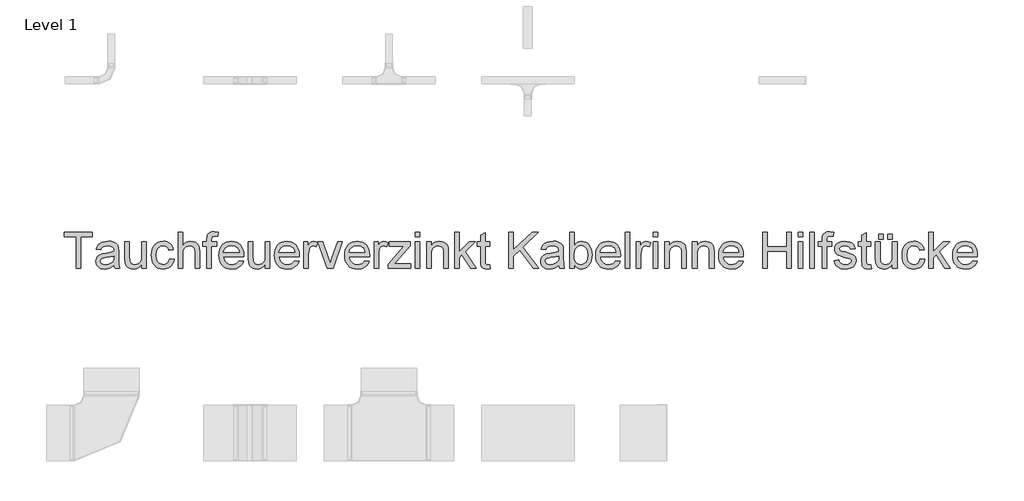
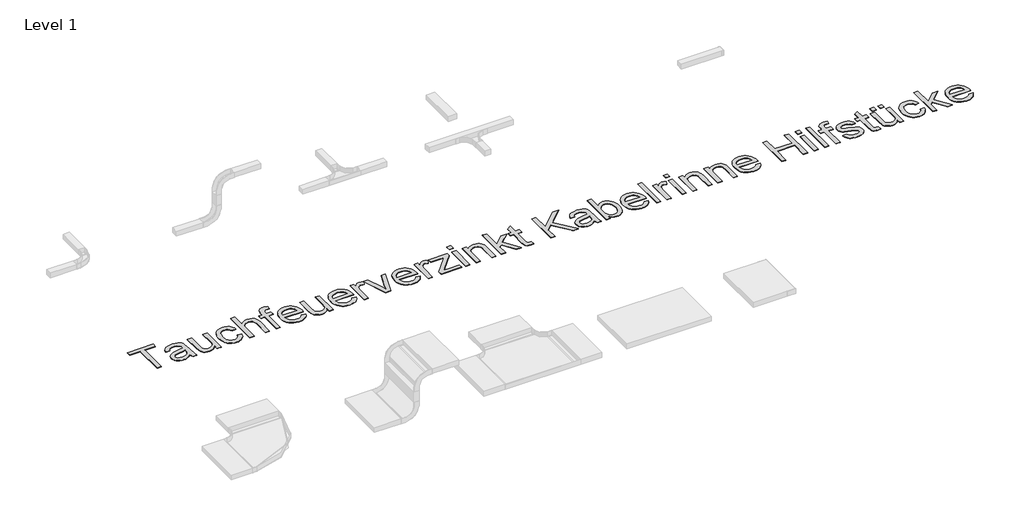
# One storey, part 14 of 15: 1 proxy.
"""IFC4 building model written with IfcOpenShell, lengths in millimetres."""

from ifc_helpers import new_model, si_unit, origin, origin_with_axes, place, context, project, spatial, polyline, outline, extrude, element, save

model = new_model("IFC4")

# Units and contexts
model_context = context("Model", 3, world=origin())
ifc_project = project(units=[si_unit("LENGTHUNIT", "METRE", prefix="MILLI")], contexts=[model_context])

# Site, building, storey
site = spatial("IfcSite", under=ifc_project)
building = spatial("IfcBuilding", under=site)
storey = spatial("IfcBuildingStorey", under=building, Name="Level 1", Elevation=0.0)

# Proxy
placement = place(None, origin())
element("IfcBuildingElementProxy", 1, Name="400mm", ObjectType="400mm", at=placement, inside=storey, context=model_context, shape_type="SweptSolid", body=[
    extrude(outline(polyline([(5205.1587298, -14577.287492), (5205.1587298, -14234.4996132), (5076.6132752, -14234.4996132), (5076.6132752, -14185.5299162), (5382.6738813, -14185.5299162), (5382.6738813, -14234.4996132), (5254.1284268, -14234.4996132), (5254.1284268, -14577.287492), (5205.1587298, -14577.287492)])), origin_with_axes(), (0.0, 0.0, 1.0), 5.0),
    extrude(outline(polyline([(5615.2799419, -14540.5602192), (5591.8830432, -14560.6215355), (5567.792726, -14573.7486662), (5542.4590376, -14580.9936946), (5515.3320252, -14583.4087041), (5493.5281959, -14581.9561118), (5474.4083747, -14577.5983348), (5457.9725615, -14570.3353731), (5444.2207563, -14560.1672268), (5433.3621803, -14547.7394924), (5425.6060546, -14533.6977666), (5420.9523792, -14518.0420493), (5419.401154, -14500.7723404), (5421.7444305, -14480.4719143), (5428.7742601, -14462.036545), (5439.6178917, -14446.255295), (5453.4025745, -14433.9172268), (5487.6909268, -14417.849045), (5530.0611919, -14410.4844617), (5580.1307942, -14402.7373026), (5614.9930101, -14393.6511283), (5615.2799419, -14382.7477192), (5611.908493, -14360.8930791), (5601.7941465, -14346.5943101), (5579.1743548, -14335.9778329), (5547.6596768, -14332.4390071), (5518.4882752, -14334.7942391), (5498.1161161, -14341.8599351), (5484.223834, -14354.9272884), (5474.4920631, -14375.287492), (5425.5223661, -14369.1662798), (5434.0227213, -14342.3859768), (5446.7074987, -14321.3443101), (5464.7602923, -14305.2522173), (5489.3646957, -14293.3206359), (5519.4566701, -14285.9321416), (5553.9721768, -14283.4693101), (5587.0769353, -14285.6452098), (5613.3192411, -14292.1729086), (5633.1055811, -14301.9883679), (5646.8424419, -14314.0275488), (5655.9525271, -14328.9121369), (5661.8585404, -14347.2638177), (5664.2496389, -14390.1123026), (5664.2496389, -14451.037492), (5666.7363813, -14536.1127761), (5676.4920631, -14577.287492), (5627.5223661, -14577.287492), (5619.6795631, -14560.2628708), (5615.2799419, -14540.5602192)]), holes=[polyline([(5615.2799419, -14442.6208253), (5582.3784268, -14450.7744711), (5536.278048, -14457.6369238), (5494.1468927, -14465.5753708), (5483.1837061, -14471.0031643), (5475.0659268, -14478.4873026), (5470.0446199, -14487.4539219), (5468.370851, -14497.3291586), (5472.0172762, -14511.8909484), (5482.9565518, -14523.8225298), (5500.9495679, -14531.7848878), (5525.7572146, -14534.4390071), (5552.059298, -14531.5099115), (5575.3007752, -14522.7226245), (5594.1426313, -14509.7748262), (5607.245851, -14494.3641965), (5613.0562203, -14478.4873026), (5614.9930101, -14456.4891965), (5615.2799419, -14442.6208253)])]), origin_with_axes(), (0.0, 0.0, 1.0), 5.0),
    extrude(outline(polyline([(5915.2193358, -14577.287492), (5915.2193358, -14527.8395753), (5897.5012961, -14552.1510691), (5876.8661161, -14569.5164219), (5853.3137961, -14579.9356335), (5826.8443358, -14583.4087041), (5802.9931285, -14580.9697836), (5780.791779, -14573.6530223), (5762.1651218, -14562.6539692), (5749.0379911, -14549.1681738), (5740.2028822, -14532.7891492), (5734.4522904, -14513.1104086), (5731.5829722, -14467.5838935), (5731.5829722, -14289.5905223), (5780.5526692, -14289.5905223), (5780.5526692, -14444.5337041), (5783.5176313, -14494.4598404), (5790.6550603, -14511.1138414), (5802.885529, -14523.7747079), (5819.3960641, -14531.7729323), (5839.3736919, -14534.4390071), (5860.499047, -14531.7131548), (5880.261476, -14523.535598), (5896.5568122, -14510.6595327), (5907.2808889, -14493.8381548), (5913.2347241, -14470.7999209), (5915.2193358, -14439.2732874), (5915.2193358, -14289.5905223), (5964.1890328, -14289.5905223), (5964.1890328, -14577.287492), (5915.2193358, -14577.287492)])), origin_with_axes(), (0.0, 0.0, 1.0), 5.0),
    extrude(outline(polyline([(6215.1587298, -14473.2268859), (6264.1284268, -14479.348098), (6258.8022549, -14502.455076), (6250.4752544, -14522.9019569), (6239.1474253, -14540.6887408), (6224.8187677, -14555.8154276), (6208.0930338, -14567.887486), (6189.573976, -14576.510385), (6169.2615944, -14581.6841243), (6147.1558889, -14583.4087041), (6119.6911339, -14581.0026612), (6095.0658084, -14573.7845327), (6073.2799123, -14561.7543184), (6054.3334457, -14544.9120185), (6038.9975378, -14523.5744534), (6028.0433179, -14498.0584437), (6021.4707859, -14468.3639894), (6019.2799419, -14434.4910904), (6023.022011, -14390.9133206), (6034.2482184, -14353.14592), (6053.1378965, -14322.6474588), (6079.8703775, -14300.8765071), (6111.8513197, -14287.8211094), (6146.4863813, -14283.4693101), (6168.2124999, -14284.9637467), (6187.8643406, -14289.4470564), (6205.4419033, -14296.9192391), (6220.9451881, -14307.380295), (6234.1111742, -14320.5911141), (6244.6768406, -14336.3125867), (6252.6421874, -14354.5447126), (6258.0072146, -14375.287492), (6209.0375177, -14381.4087041), (6200.1545868, -14360.0442391), (6186.3220821, -14344.7292533), (6168.305155, -14335.5115687), (6146.8689571, -14332.4390071), (6130.2299005, -14333.9513769), (6115.2227686, -14338.4884863), (6101.8475615, -14346.0503352), (6090.104279, -14356.6369238), (6080.542874, -14370.4933395), (6073.7132989, -14387.86467), (6068.2496389, -14433.1520753), (6073.593744, -14479.0492107), (6080.2738754, -14496.5371073), (6089.6260593, -14510.3845564), (6101.1362097, -14520.9083786), (6114.2902402, -14528.4253944), (6129.0881509, -14532.9356039), (6145.5299419, -14534.4390071), (6170.8875413, -14530.6849825), (6191.6781427, -14519.4229086), (6206.8018406, -14500.3658537), (6215.1587298, -14473.2268859)])), origin_with_axes(), (0.0, 0.0, 1.0), 5.0),
    extrude(outline(polyline([(6306.9769116, -14577.287492), (6306.9769116, -14185.5299162), (6355.9466086, -14185.5299162), (6355.9466086, -14329.5696889), (6373.9336469, -14309.4007732), (6394.1324514, -14294.9944048), (6416.5430219, -14286.3505838), (6441.1653586, -14283.4693101), (6470.7432468, -14286.6136047), (6496.1606237, -14296.0464882), (6516.174118, -14311.0267202), (6529.5403586, -14330.8130601), (6537.0723188, -14357.9998499), (6539.5829722, -14395.1814314), (6539.5829722, -14577.287492), (6490.6132752, -14577.287492), (6490.6132752, -14400.2505601), (6486.7157847, -14369.5966776), (6475.0233131, -14348.6028329), (6456.1814571, -14336.4799636), (6430.8358131, -14332.4390071), (6410.1408557, -14335.1648594), (6390.7131805, -14343.3424162), (6374.6210877, -14356.1826151), (6363.9328775, -14372.8963935), (6357.9431758, -14395.1096984), (6355.9466086, -14424.4484768), (6355.9466086, -14577.287492), (6306.9769116, -14577.287492)])), origin_with_axes(), (0.0, 0.0, 1.0), 5.0),
    extrude(outline(polyline([(6619.1587298, -14577.287492), (6619.1587298, -14338.5602192), (6576.3102449, -14338.5602192), (6576.3102449, -14289.5905223), (6619.1587298, -14289.5905223), (6619.1587298, -14260.6104086), (6620.449923, -14236.6276908), (6624.3235025, -14219.7704465), (6634.1748283, -14203.4870658), (6649.3822146, -14190.599045), (6670.6629911, -14182.2062893), (6698.7344874, -14179.4087041), (6743.4002071, -14184.7647647), (6736.2269116, -14230.6738556), (6708.0119495, -14228.3784011), (6689.3972478, -14230.4108348), (6677.166779, -14236.5081359), (6670.3880148, -14248.1527855), (6668.1284268, -14266.8272647), (6668.1284268, -14289.5905223), (6723.2193358, -14289.5905223), (6723.2193358, -14338.5602192), (6668.1284268, -14338.5602192), (6668.1284268, -14577.287492), (6619.1587298, -14577.287492)])), origin_with_axes(), (0.0, 0.0, 1.0), 5.0),
    extrude(outline(polyline([(6967.4939571, -14491.5905223), (7015.5072146, -14497.7117344), (7008.1456202, -14516.942144), (6998.2076171, -14533.8890545), (6985.6932054, -14548.5524659), (6970.6023851, -14560.9323783), (6953.0905776, -14570.7657708), (6933.3132042, -14577.7896226), (6886.9617601, -14583.4087041), (6856.5768761, -14580.984728), (6829.5036635, -14573.7127997), (6805.7421223, -14561.5929193), (6785.2922525, -14544.6250867), (6768.8474727, -14523.2815438), (6757.1012014, -14498.0345327), (6750.0534386, -14468.8840533), (6747.7041843, -14435.8301056), (6750.0773496, -14401.6553305), (6757.1968453, -14371.5334673), (6769.0626715, -14345.4645161), (6785.6748283, -14323.4484768), (6806.0708983, -14305.9575914), (6829.2884646, -14293.4641018), (6855.3275271, -14285.9680081), (6884.1880858, -14283.4693101), (6912.119105, -14285.9620303), (6937.3780716, -14293.4401908), (6959.9649857, -14305.9037917), (6979.8798472, -14323.3528329), (6996.136328, -14345.3210502), (7007.7481001, -14371.3421795), (7014.7151633, -14401.4162207), (7017.0375177, -14435.5431738), (7016.7505858, -14448.7420374), (6796.6738813, -14448.7420374), (6799.5103219, -14468.2832898), (6805.1503254, -14485.3975772), (6813.593892, -14500.0848996), (6824.8410215, -14512.3452571), (6853.2592269, -14528.9155696), (6887.9181995, -14534.4390071), (6913.981173, -14531.8805317), (6935.9314571, -14524.2051056), (6953.7690518, -14510.934509), (6967.4939571, -14491.5905223)]), holes=[polyline([(6796.6738813, -14399.7723404), (6968.0678207, -14399.7723404), (6961.4444779, -14373.9006548), (6948.4608131, -14355.3935526), (6935.1065281, -14345.3509389), (6919.9110972, -14338.1776435), (6883.996798, -14332.4390071), (6850.9876834, -14337.0179607), (6823.6932942, -14350.7548215), (6804.7199277, -14372.1671084), (6796.6738813, -14399.7723404)])]), origin_with_axes(), (0.0, 0.0, 1.0), 5.0),
    extrude(outline(polyline([(7249.6435783, -14577.287492), (7249.6435783, -14527.8395753), (7231.9255385, -14552.1510691), (7211.2903586, -14569.5164219), (7187.7380385, -14579.9356335), (7161.2685783, -14583.4087041), (7137.4173709, -14580.9697836), (7115.2160215, -14573.6530223), (7096.5893643, -14562.6539692), (7083.4622336, -14549.1681738), (7074.6271247, -14532.7891492), (7068.8765328, -14513.1104086), (7066.0072146, -14467.5838935), (7066.0072146, -14289.5905223), (7114.9769116, -14289.5905223), (7114.9769116, -14444.5337041), (7117.9418737, -14494.4598404), (7125.0793027, -14511.1138414), (7137.3097715, -14523.7747079), (7153.8203065, -14531.7729323), (7173.7979343, -14534.4390071), (7194.9232894, -14531.7131548), (7214.6857184, -14523.535598), (7230.9810546, -14510.6595327), (7241.7051313, -14493.8381548), (7247.6589665, -14470.7999209), (7249.6435783, -14439.2732874), (7249.6435783, -14289.5905223), (7298.6132752, -14289.5905223), (7298.6132752, -14577.287492), (7249.6435783, -14577.287492)])), origin_with_axes(), (0.0, 0.0, 1.0), 5.0),
    extrude(outline(polyline([(7567.3727449, -14491.5905223), (7615.3860025, -14497.7117344), (7608.0244081, -14516.942144), (7598.086405, -14533.8890545), (7585.5719933, -14548.5524659), (7570.481173, -14560.9323783), (7552.9693654, -14570.7657708), (7533.1919921, -14577.7896226), (7486.840548, -14583.4087041), (7456.455664, -14580.984728), (7429.3824514, -14573.7127997), (7405.6209102, -14561.5929193), (7385.1710404, -14544.6250867), (7368.7262606, -14523.2815438), (7356.9799893, -14498.0345327), (7349.9322265, -14468.8840533), (7347.5829722, -14435.8301056), (7349.9561375, -14401.6553305), (7357.0756332, -14371.5334673), (7368.9414594, -14345.4645161), (7385.5536161, -14323.4484768), (7405.9496862, -14305.9575914), (7429.1672525, -14293.4641018), (7455.206315, -14285.9680081), (7484.0668737, -14283.4693101), (7511.9978929, -14285.9620303), (7537.2568595, -14293.4401908), (7559.8437736, -14305.9037917), (7579.7586351, -14323.3528329), (7596.0151159, -14345.3210502), (7607.6268879, -14371.3421795), (7614.5939511, -14401.4162207), (7616.9163055, -14435.5431738), (7616.6293737, -14448.7420374), (7396.5526692, -14448.7420374), (7399.3891098, -14468.2832898), (7405.0291133, -14485.3975772), (7413.4726798, -14500.0848996), (7424.7198093, -14512.3452571), (7453.1380148, -14528.9155696), (7487.7969874, -14534.4390071), (7513.8599608, -14531.8805317), (7535.8102449, -14524.2051056), (7553.6478396, -14510.934509), (7567.3727449, -14491.5905223)]), holes=[polyline([(7396.5526692, -14399.7723404), (7567.9466086, -14399.7723404), (7561.3232658, -14373.9006548), (7548.339601, -14355.3935526), (7534.985316, -14345.3509389), (7519.7898851, -14338.1776435), (7483.8755858, -14332.4390071), (7450.8664713, -14337.0179607), (7423.5720821, -14350.7548215), (7404.5987156, -14372.1671084), (7396.5526692, -14399.7723404)])]), origin_with_axes(), (0.0, 0.0, 1.0), 5.0),
    extrude(outline(polyline([(7665.8860025, -14577.287492), (7665.8860025, -14289.5905223), (7708.7344874, -14289.5905223), (7708.7344874, -14332.1520753), (7724.5635593, -14307.4759389), (7739.1492601, -14292.9380601), (7753.7827828, -14285.8364976), (7769.7553207, -14283.4693101), (7794.1445252, -14287.2472458), (7818.9163055, -14298.5810526), (7802.5611919, -14342.4816208), (7785.3452828, -14334.9496605), (7768.1293737, -14332.4390071), (7753.5078065, -14334.8540166), (7740.4404533, -14342.099045), (7729.8837535, -14353.6241397), (7722.7941465, -14368.879348), (7716.8403112, -14396.2335147), (7714.8556995, -14426.0744238), (7714.8556995, -14577.287492), (7665.8860025, -14577.287492)])), origin_with_axes(), (0.0, 0.0, 1.0), 5.0),
    extrude(outline(polyline([(7920.1075934, -14577.287492), (7818.9163055, -14289.5905223), (7870.7553207, -14289.5905223), (7932.0630858, -14461.9409011), (7950.5223661, -14519.9011283), (7968.5990707, -14465.192795), (8030.2894116, -14289.5905223), (8082.1284268, -14289.5905223), (7982.1805101, -14577.287492), (7920.1075934, -14577.287492)])), origin_with_axes(), (0.0, 0.0, 1.0), 5.0),
    extrude(outline(polyline([(8326.403048, -14491.5905223), (8374.4163055, -14497.7117344), (8367.0547111, -14516.942144), (8357.116708, -14533.8890545), (8344.6022963, -14548.5524659), (8329.511476, -14560.9323783), (8311.9996685, -14570.7657708), (8292.2222951, -14577.7896226), (8245.870851, -14583.4087041), (8215.485967, -14580.984728), (8188.4127544, -14573.7127997), (8164.6512132, -14561.5929193), (8144.2013434, -14544.6250867), (8127.7565636, -14523.2815438), (8116.0102923, -14498.0345327), (8108.9625295, -14468.8840533), (8106.6132752, -14435.8301056), (8108.9864405, -14401.6553305), (8116.1059362, -14371.5334673), (8127.9717625, -14345.4645161), (8144.5839192, -14323.4484768), (8164.9799893, -14305.9575914), (8188.1975555, -14293.4641018), (8214.236618, -14285.9680081), (8243.0971768, -14283.4693101), (8271.0281959, -14285.9620303), (8296.2871626, -14293.4401908), (8318.8740766, -14305.9037917), (8338.7889381, -14323.3528329), (8355.0454189, -14345.3210502), (8366.657191, -14371.3421795), (8373.6242542, -14401.4162207), (8375.9466086, -14435.5431738), (8375.6596768, -14448.7420374), (8155.5829722, -14448.7420374), (8158.4194128, -14468.2832898), (8164.0594163, -14485.3975772), (8172.5029829, -14500.0848996), (8183.7501124, -14512.3452571), (8212.1683179, -14528.9155696), (8246.8272904, -14534.4390071), (8272.8902639, -14531.8805317), (8294.840548, -14524.2051056), (8312.6781427, -14510.934509), (8326.403048, -14491.5905223)]), holes=[polyline([(8155.5829722, -14399.7723404), (8326.9769116, -14399.7723404), (8320.3535688, -14373.9006548), (8307.369904, -14355.3935526), (8294.015619, -14345.3509389), (8278.8201881, -14338.1776435), (8242.9058889, -14332.4390071), (8209.8967743, -14337.0179607), (8182.6023851, -14350.7548215), (8163.6290186, -14372.1671084), (8155.5829722, -14399.7723404)])]), origin_with_axes(), (0.0, 0.0, 1.0), 5.0),
    extrude(outline(polyline([(8424.9163055, -14577.287492), (8424.9163055, -14289.5905223), (8467.7647904, -14289.5905223), (8467.7647904, -14332.1520753), (8483.5938624, -14307.4759389), (8498.1795631, -14292.9380601), (8512.8130858, -14285.8364976), (8528.7856237, -14283.4693101), (8553.1748283, -14287.2472458), (8577.9466086, -14298.5810526), (8561.5914949, -14342.4816208), (8544.3755858, -14334.9496605), (8527.1596768, -14332.4390071), (8512.5381095, -14334.8540166), (8499.4707563, -14342.099045), (8488.9140565, -14353.6241397), (8481.8244495, -14368.879348), (8475.8706143, -14396.2335147), (8473.8860025, -14426.0744238), (8473.8860025, -14577.287492), (8424.9163055, -14577.287492)])), origin_with_axes(), (0.0, 0.0, 1.0), 5.0),
    extrude(outline(polyline([(8577.9466086, -14577.287492), (8577.9466086, -14531.1871132), (8746.9494495, -14338.5602192), (8696.9276692, -14338.5602192), (8590.1890328, -14338.5602192), (8590.1890328, -14289.5905223), (8816.6738813, -14289.5905223), (8816.6738813, -14331.1956359), (8666.7998283, -14502.1113556), (8643.8452828, -14528.317795), (8700.4664949, -14528.317795), (8822.7950934, -14528.317795), (8822.7950934, -14577.287492), (8577.9466086, -14577.287492)])), origin_with_axes(), (0.0, 0.0, 1.0), 5.0),
    extrude(outline(polyline([(8871.7647904, -14234.4996132), (8871.7647904, -14185.5299162), (8920.7344874, -14185.5299162), (8920.7344874, -14234.4996132), (8871.7647904, -14234.4996132)])), origin_with_axes(), (0.0, 0.0, 1.0), 5.0),
    extrude(outline(polyline([(8871.7647904, -14577.287492), (8871.7647904, -14289.5905223), (8920.7344874, -14289.5905223), (8920.7344874, -14577.287492), (8871.7647904, -14577.287492)])), origin_with_axes(), (0.0, 0.0, 1.0), 5.0),
    extrude(outline(polyline([(8994.1890328, -14577.287492), (8994.1890328, -14289.5905223), (9043.1587298, -14289.5905223), (9043.1587298, -14329.7609768), (9060.1713955, -14309.5083726), (9080.6033321, -14295.0422268), (9104.4545394, -14286.3625393), (9131.7250177, -14283.4693101), (9155.8631569, -14285.8006312), (9177.9688624, -14292.7945942), (9196.4042317, -14303.5784484), (9209.5313624, -14317.2794427), (9218.4382042, -14333.8617107), (9224.2127071, -14353.2893859), (9226.7950934, -14400.6331359), (9226.7950934, -14577.287492), (9177.8253965, -14577.287492), (9177.8253965, -14407.2325677), (9176.4146483, -14381.9108348), (9172.182404, -14363.9058632), (9164.3754675, -14351.0058869), (9152.2406427, -14340.9991397), (9136.686547, -14334.5790403), (9118.621798, -14332.4390071), (9089.9405716, -14337.2451151), (9065.4915896, -14351.6634389), (9055.7209634, -14363.4336212), (9048.7419447, -14379.5197363), (9044.5545335, -14399.9217841), (9043.1587298, -14424.6397647), (9043.1587298, -14577.287492), (8994.1890328, -14577.287492)])), origin_with_axes(), (0.0, 0.0, 1.0), 5.0),
    extrude(outline(polyline([(9294.1284268, -14577.287492), (9294.1284268, -14185.5299162), (9343.0981237, -14185.5299162), (9343.0981237, -14396.0422268), (9452.8973661, -14289.5905223), (9520.6132752, -14289.5905223), (9409.4750177, -14397.381242), (9526.7344874, -14577.287492), (9469.5394116, -14577.287492), (9374.3736919, -14431.4304844), (9343.0981237, -14461.7496132), (9343.0981237, -14577.287492), (9294.1284268, -14577.287492)])), origin_with_axes(), (0.0, 0.0, 1.0), 5.0),
    extrude(outline(polyline([(9673.6435783, -14536.4475298), (9679.7647904, -14578.7221511), (9643.1331616, -14583.4087041), (9619.6286635, -14581.3762704), (9602.1019116, -14575.2789692), (9589.7160215, -14565.8819522), (9581.6341086, -14553.9503708), (9577.1866654, -14533.4586567), (9575.7041843, -14498.381242), (9575.7041843, -14338.5602192), (9538.9769116, -14338.5602192), (9538.9769116, -14289.5905223), (9575.7041843, -14289.5905223), (9575.7041843, -14219.6748026), (9624.6738813, -14190.8859768), (9624.6738813, -14289.5905223), (9673.6435783, -14289.5905223), (9673.6435783, -14338.5602192), (9624.6738813, -14338.5602192), (9624.6738813, -14496.9465829), (9627.2562677, -14522.1965829), (9635.6251124, -14531.1392912), (9652.3149798, -14534.4390071), (9673.6435783, -14536.4475298)])), origin_with_axes(), (0.0, 0.0, 1.0), 5.0),
    extrude(outline(polyline([(9881.7647904, -14577.287492), (9881.7647904, -14185.5299162), (9930.7344874, -14185.5299162), (9930.7344874, -14377.2960147), (10131.5867601, -14185.5299162), (10200.0678207, -14185.5299162), (10031.4475555, -14346.5943101), (10206.1890328, -14577.287492), (10146.3159268, -14577.287492), (9996.7288055, -14379.6871132), (9930.7344874, -14442.6208253), (9930.7344874, -14577.287492), (9881.7647904, -14577.287492)])), origin_with_axes(), (0.0, 0.0, 1.0), 5.0),
    extrude(outline(polyline([(10420.4314571, -14540.5602192), (10397.0345584, -14560.6215355), (10372.9442411, -14573.7486662), (10347.6105527, -14580.9936946), (10320.4835404, -14583.4087041), (10298.6797111, -14581.9561118), (10279.5598898, -14577.5983348), (10263.1240766, -14570.3353731), (10249.3722715, -14560.1672268), (10238.5136955, -14547.7394924), (10230.7575697, -14533.6977666), (10226.1038943, -14518.0420493), (10224.5526692, -14500.7723404), (10226.8959457, -14480.4719143), (10233.9257752, -14462.036545), (10244.7694069, -14446.255295), (10258.5540896, -14433.9172268), (10292.8424419, -14417.849045), (10335.2127071, -14410.4844617), (10385.2823093, -14402.7373026), (10420.1445252, -14393.6511283), (10420.4314571, -14382.7477192), (10417.0600082, -14360.8930791), (10406.9456616, -14346.5943101), (10384.3258699, -14335.9778329), (10352.8111919, -14332.4390071), (10323.6397904, -14334.7942391), (10303.2676313, -14341.8599351), (10289.3753491, -14354.9272884), (10279.6435783, -14375.287492), (10230.6738813, -14369.1662798), (10239.1742364, -14342.3859768), (10251.8590139, -14321.3443101), (10269.9118074, -14305.2522173), (10294.5162108, -14293.3206359), (10324.6081853, -14285.9321416), (10359.1236919, -14283.4693101), (10392.2284504, -14285.6452098), (10418.4707563, -14292.1729086), (10438.2570963, -14301.9883679), (10451.9939571, -14314.0275488), (10461.1040423, -14328.9121369), (10467.0100555, -14347.2638177), (10469.401154, -14390.1123026), (10469.401154, -14451.037492), (10471.8878965, -14536.1127761), (10481.6435783, -14577.287492), (10432.6738813, -14577.287492), (10424.8310783, -14560.2628708), (10420.4314571, -14540.5602192)]), holes=[polyline([(10420.4314571, -14442.6208253), (10387.5299419, -14450.7744711), (10341.4295631, -14457.6369238), (10299.2984078, -14465.5753708), (10288.3352213, -14471.0031643), (10280.2174419, -14478.4873026), (10275.1961351, -14487.4539219), (10273.5223661, -14497.3291586), (10277.1687913, -14511.8909484), (10288.1080669, -14523.8225298), (10306.101083, -14531.7848878), (10330.9087298, -14534.4390071), (10357.2108131, -14531.5099115), (10380.4522904, -14522.7226245), (10399.2941465, -14509.7748262), (10412.3973661, -14494.3641965), (10418.2077355, -14478.4873026), (10420.1445252, -14456.4891965), (10420.4314571, -14442.6208253)])]), origin_with_axes(), (0.0, 0.0, 1.0), 5.0),
    extrude(outline(polyline([(10585.7041843, -14577.287492), (10536.7344874, -14577.287492), (10536.7344874, -14185.5299162), (10585.7041843, -14185.5299162), (10585.7041843, -14330.8130601), (10601.8082326, -14310.1001695), (10619.9925366, -14295.3052476), (10640.2570963, -14286.4282945), (10662.6019116, -14283.4693101), (10687.8280006, -14286.135385), (10711.6672525, -14294.1336094), (10732.7567411, -14306.9618528), (10749.7335404, -14324.1179844), (10763.0400035, -14345.4346274), (10773.1184836, -14370.7444048), (10779.4668501, -14398.9952334), (10781.5829722, -14429.1350298), (10779.3921282, -14463.9135573), (10772.8195963, -14494.5076624), (10761.8653763, -14520.9173452), (10746.5294684, -14543.1426056), (10728.120999, -14560.7590237), (10707.9490944, -14573.3421795), (10686.0137546, -14580.8920729), (10662.3149798, -14583.4087041), (10639.2349017, -14580.1627879), (10618.7730764, -14570.4250393), (10600.9295039, -14554.1954583), (10585.7041843, -14531.474045), (10585.7041843, -14577.287492)]), holes=[polyline([(10585.7041843, -14431.4304844), (10589.0517222, -14472.2704465), (10599.0943358, -14499.911545), (10610.9601621, -14515.0173097), (10624.7508226, -14525.8071416), (10640.4663174, -14532.2810407), (10658.1066465, -14534.4390071), (10672.7521247, -14532.8489266), (10686.3694305, -14528.0786851), (10710.5195252, -14508.9977192), (10720.1855409, -14494.7168835), (10727.0898377, -14477.3156643), (10732.6132752, -14433.1520753), (10727.3169921, -14388.3428897), (10720.6966382, -14370.9954702), (10711.4281427, -14357.0194995), (10688.031244, -14338.5841302), (10674.6739701, -14333.9752879), (10660.2108131, -14332.4390071), (10645.5653349, -14334.0290876), (10631.948029, -14338.7993291), (10607.7979343, -14357.880295), (10598.1319187, -14372.0176648), (10591.2276218, -14388.9884863), (10585.7041843, -14431.4304844)])]), origin_with_axes(), (0.0, 0.0, 1.0), 5.0),
    extrude(outline(polyline([(11038.1000177, -14491.5905223), (11086.1132752, -14497.7117344), (11078.7516808, -14516.942144), (11068.8136777, -14533.8890545), (11056.299266, -14548.5524659), (11041.2084457, -14560.9323783), (11023.6966382, -14570.7657708), (11003.9192648, -14577.7896226), (10957.5678207, -14583.4087041), (10927.1829367, -14580.984728), (10900.1097241, -14573.7127997), (10876.3481829, -14561.5929193), (10855.8983131, -14544.6250867), (10839.4535333, -14523.2815438), (10827.707262, -14498.0345327), (10820.6594992, -14468.8840533), (10818.3102449, -14435.8301056), (10820.6834102, -14401.6553305), (10827.8029059, -14371.5334673), (10839.6687322, -14345.4645161), (10856.2808889, -14323.4484768), (10876.676959, -14305.9575914), (10899.8945252, -14293.4641018), (10925.9335877, -14285.9680081), (10954.7941465, -14283.4693101), (10982.7251656, -14285.9620303), (11007.9841322, -14293.4401908), (11030.5710463, -14305.9037917), (11050.4859078, -14323.3528329), (11066.7423886, -14345.3210502), (11078.3541607, -14371.3421795), (11085.3212239, -14401.4162207), (11087.6435783, -14435.5431738), (11087.3566465, -14448.7420374), (10867.2799419, -14448.7420374), (10870.1163825, -14468.2832898), (10875.756386, -14485.3975772), (10884.1999526, -14500.0848996), (10895.4470821, -14512.3452571), (10923.8652876, -14528.9155696), (10958.5242601, -14534.4390071), (10984.5872336, -14531.8805317), (11006.5375177, -14524.2051056), (11024.3751124, -14510.934509), (11038.1000177, -14491.5905223)]), holes=[polyline([(10867.2799419, -14399.7723404), (11038.6738813, -14399.7723404), (11032.0505385, -14373.9006548), (11019.0668737, -14355.3935526), (11005.7125887, -14345.3509389), (10990.5171578, -14338.1776435), (10954.6028586, -14332.4390071), (10921.593744, -14337.0179607), (10894.2993548, -14350.7548215), (10875.3259883, -14372.1671084), (10867.2799419, -14399.7723404)])]), origin_with_axes(), (0.0, 0.0, 1.0), 5.0),
    extrude(outline(polyline([(11136.6132752, -14577.287492), (11136.6132752, -14185.5299162), (11185.5829722, -14185.5299162), (11185.5829722, -14577.287492), (11136.6132752, -14577.287492)])), origin_with_axes(), (0.0, 0.0, 1.0), 5.0),
    extrude(outline(polyline([(11259.0375177, -14577.287492), (11259.0375177, -14289.5905223), (11301.8860025, -14289.5905223), (11301.8860025, -14332.1520753), (11317.7150745, -14307.4759389), (11332.3007752, -14292.9380601), (11346.934298, -14285.8364976), (11362.9068358, -14283.4693101), (11387.2960404, -14287.2472458), (11412.0678207, -14298.5810526), (11395.7127071, -14342.4816208), (11378.496798, -14334.9496605), (11361.2808889, -14332.4390071), (11346.6593216, -14334.8540166), (11333.5919684, -14342.099045), (11323.0352686, -14353.6241397), (11315.9456616, -14368.879348), (11309.9918264, -14396.2335147), (11308.0072146, -14426.0744238), (11308.0072146, -14577.287492), (11259.0375177, -14577.287492)])), origin_with_axes(), (0.0, 0.0, 1.0), 5.0),
    extrude(outline(polyline([(11442.6738813, -14577.287492), (11442.6738813, -14289.5905223), (11491.6435783, -14289.5905223), (11491.6435783, -14577.287492), (11442.6738813, -14577.287492)])), origin_with_axes(), (0.0, 0.0, 1.0), 5.0),
    extrude(outline(polyline([(11442.6738813, -14234.4996132), (11442.6738813, -14185.5299162), (11491.6435783, -14185.5299162), (11491.6435783, -14234.4996132), (11442.6738813, -14234.4996132)])), origin_with_axes(), (0.0, 0.0, 1.0), 5.0),
    extrude(outline(polyline([(11565.0981237, -14577.287492), (11565.0981237, -14289.5905223), (11614.0678207, -14289.5905223), (11614.0678207, -14329.7609768), (11631.0804864, -14309.5083726), (11651.512423, -14295.0422268), (11675.3636304, -14286.3625393), (11702.6341086, -14283.4693101), (11726.7722478, -14285.8006312), (11748.8779533, -14292.7945942), (11767.3133226, -14303.5784484), (11780.4404533, -14317.2794427), (11789.3472951, -14333.8617107), (11795.121798, -14353.2893859), (11797.7041843, -14400.6331359), (11797.7041843, -14577.287492), (11748.7344874, -14577.287492), (11748.7344874, -14407.2325677), (11747.3237393, -14381.9108348), (11743.0914949, -14363.9058632), (11735.2845584, -14351.0058869), (11723.1497336, -14340.9991397), (11707.5956379, -14334.5790403), (11689.5308889, -14332.4390071), (11660.8496626, -14337.2451151), (11636.4006805, -14351.6634389), (11626.6300544, -14363.4336212), (11619.6510357, -14379.5197363), (11615.4636244, -14399.9217841), (11614.0678207, -14424.6397647), (11614.0678207, -14577.287492), (11565.0981237, -14577.287492)])), origin_with_axes(), (0.0, 0.0, 1.0), 5.0),
    extrude(outline(polyline([(11865.0375177, -14577.287492), (11865.0375177, -14289.5905223), (11914.0072146, -14289.5905223), (11914.0072146, -14329.7609768), (11931.0198804, -14309.5083726), (11951.4518169, -14295.0422268), (11975.3030243, -14286.3625393), (12002.5735025, -14283.4693101), (12026.7116417, -14285.8006312), (12048.8173472, -14292.7945942), (12067.2527165, -14303.5784484), (12080.3798472, -14317.2794427), (12089.2866891, -14333.8617107), (12095.0611919, -14353.2893859), (12097.6435783, -14400.6331359), (12097.6435783, -14577.287492), (12048.6738813, -14577.287492), (12048.6738813, -14407.2325677), (12047.2631332, -14381.9108348), (12043.0308889, -14363.9058632), (12035.2239523, -14351.0058869), (12023.0891275, -14340.9991397), (12007.5350319, -14334.5790403), (11989.4702828, -14332.4390071), (11960.7890565, -14337.2451151), (11936.3400745, -14351.6634389), (11926.5694483, -14363.4336212), (11919.5904296, -14379.5197363), (11915.4030184, -14399.9217841), (11914.0072146, -14424.6397647), (11914.0072146, -14577.287492), (11865.0375177, -14577.287492)])), origin_with_axes(), (0.0, 0.0, 1.0), 5.0),
    extrude(outline(polyline([(12366.403048, -14491.5905223), (12414.4163055, -14497.7117344), (12407.0547111, -14516.942144), (12397.116708, -14533.8890545), (12384.6022963, -14548.5524659), (12369.511476, -14560.9323783), (12351.9996685, -14570.7657708), (12332.2222951, -14577.7896226), (12285.870851, -14583.4087041), (12255.485967, -14580.984728), (12228.4127544, -14573.7127997), (12204.6512132, -14561.5929193), (12184.2013434, -14544.6250867), (12167.7565636, -14523.2815438), (12156.0102923, -14498.0345327), (12148.9625295, -14468.8840533), (12146.6132752, -14435.8301056), (12148.9864405, -14401.6553305), (12156.1059362, -14371.5334673), (12167.9717625, -14345.4645161), (12184.5839192, -14323.4484768), (12204.9799893, -14305.9575914), (12228.1975555, -14293.4641018), (12254.236618, -14285.9680081), (12283.0971768, -14283.4693101), (12311.0281959, -14285.9620303), (12336.2871626, -14293.4401908), (12358.8740766, -14305.9037917), (12378.7889381, -14323.3528329), (12395.0454189, -14345.3210502), (12406.657191, -14371.3421795), (12413.6242542, -14401.4162207), (12415.9466086, -14435.5431738), (12415.6596768, -14448.7420374), (12195.5829722, -14448.7420374), (12198.4194128, -14468.2832898), (12204.0594163, -14485.3975772), (12212.5029829, -14500.0848996), (12223.7501124, -14512.3452571), (12252.1683179, -14528.9155696), (12286.8272904, -14534.4390071), (12312.8902639, -14531.8805317), (12334.840548, -14524.2051056), (12352.6781427, -14510.934509), (12366.403048, -14491.5905223)]), holes=[polyline([(12195.5829722, -14399.7723404), (12366.9769116, -14399.7723404), (12360.3535688, -14373.9006548), (12347.369904, -14355.3935526), (12334.015619, -14345.3509389), (12318.8201881, -14338.1776435), (12282.9058889, -14332.4390071), (12249.8967743, -14337.0179607), (12222.6023851, -14350.7548215), (12203.6290186, -14372.1671084), (12195.5829722, -14399.7723404)])]), origin_with_axes(), (0.0, 0.0, 1.0), 5.0),
    extrude(outline(polyline([(12624.0678207, -14577.287492), (12624.0678207, -14185.5299162), (12673.0375177, -14185.5299162), (12673.0375177, -14344.6814314), (12881.1587298, -14344.6814314), (12881.1587298, -14185.5299162), (12930.1284268, -14185.5299162), (12930.1284268, -14577.287492), (12881.1587298, -14577.287492), (12881.1587298, -14393.6511283), (12673.0375177, -14393.6511283), (12673.0375177, -14577.287492), (12624.0678207, -14577.287492)])), origin_with_axes(), (0.0, 0.0, 1.0), 5.0),
    extrude(outline(polyline([(13009.7041843, -14577.287492), (13009.7041843, -14289.5905223), (13058.6738813, -14289.5905223), (13058.6738813, -14577.287492), (13009.7041843, -14577.287492)])), origin_with_axes(), (0.0, 0.0, 1.0), 5.0),
    extrude(outline(polyline([(13009.7041843, -14234.4996132), (13009.7041843, -14185.5299162), (13058.6738813, -14185.5299162), (13058.6738813, -14234.4996132), (13009.7041843, -14234.4996132)])), origin_with_axes(), (0.0, 0.0, 1.0), 5.0),
    extrude(outline(polyline([(13132.1284268, -14577.287492), (13132.1284268, -14185.5299162), (13181.0981237, -14185.5299162), (13181.0981237, -14577.287492), (13132.1284268, -14577.287492)])), origin_with_axes(), (0.0, 0.0, 1.0), 5.0),
    extrude(outline(polyline([(13266.7950934, -14577.287492), (13266.7950934, -14338.5602192), (13223.9466086, -14338.5602192), (13223.9466086, -14289.5905223), (13266.7950934, -14289.5905223), (13266.7950934, -14260.6104086), (13268.0862866, -14236.6276908), (13271.9598661, -14219.7704465), (13281.8111919, -14203.4870658), (13297.0185783, -14190.599045), (13318.2993548, -14182.2062893), (13346.370851, -14179.4087041), (13391.0365707, -14184.7647647), (13383.8632752, -14230.6738556), (13355.6483131, -14228.3784011), (13337.0336114, -14230.4108348), (13324.8031427, -14236.5081359), (13318.0243785, -14248.1527855), (13315.7647904, -14266.8272647), (13315.7647904, -14289.5905223), (13370.8556995, -14289.5905223), (13370.8556995, -14338.5602192), (13315.7647904, -14338.5602192), (13315.7647904, -14577.287492), (13266.7950934, -14577.287492)])), origin_with_axes(), (0.0, 0.0, 1.0), 5.0),
    extrude(outline(polyline([(13395.340548, -14491.5905223), (13444.3102449, -14485.4693101), (13452.033493, -14506.4153329), (13466.9778586, -14521.8140071), (13489.2389855, -14531.2827571), (13518.9125177, -14534.4390071), (13548.2273851, -14531.5457779), (13568.838654, -14522.8660904), (13581.0332563, -14510.2889124), (13585.0981237, -14495.7032117), (13581.0093453, -14483.2216776), (13568.7430101, -14473.7051056), (13518.338654, -14459.7410904), (13444.5971768, -14435.7822836), (13425.9346531, -14423.7431028), (13412.4129911, -14407.8064314), (13404.1995679, -14388.9884863), (13401.4617601, -14368.3054844), (13403.6615707, -14349.3321179), (13410.2610025, -14331.8173215), (13420.6622809, -14316.4545137), (13434.2676313, -14303.9371132), (13465.3997336, -14289.4470564), (13507.5308889, -14283.4693101), (13539.4042317, -14285.8723641), (13567.1170631, -14293.0815261), (13589.402101, -14304.3914219), (13604.9920631, -14319.0966776), (13615.3216086, -14338.2852429), (13621.8253965, -14363.0450677), (13572.8556995, -14369.1662798), (13566.6747099, -14353.7556501), (13554.4442411, -14342.146867), (13536.0447383, -14334.8659721), (13511.3566465, -14332.4390071), (13483.2373283, -14334.7583726), (13464.4911161, -14341.7164692), (13453.9463718, -14351.7590829), (13450.4314571, -14363.3319995), (13456.2657374, -14377.5829465), (13474.5337298, -14388.3907117), (13516.7127071, -14398.8159011), (13588.5891275, -14421.8660904), (13607.5744495, -14432.8890545), (13621.9688624, -14447.9768859), (13631.0430811, -14467.1774067), (13634.0678207, -14490.5384389), (13630.5170394, -14514.6885336), (13619.8646957, -14537.4039692), (13602.5172762, -14556.9033774), (13578.8812677, -14571.4053897), (13550.3315518, -14580.4078755), (13518.2430101, -14583.4087041), (13491.887127, -14581.9620895), (13468.8668264, -14577.6222458), (13449.1821081, -14570.3891728), (13432.8329722, -14560.2628708), (13419.4786872, -14547.2911615), (13408.7785215, -14531.521867), (13400.7324751, -14512.9549872), (13395.340548, -14491.5905223)])), origin_with_axes(), (0.0, 0.0, 1.0), 5.0),
    extrude(outline(polyline([(13793.2193358, -14536.4475298), (13799.340548, -14578.7221511), (13762.7089192, -14583.4087041), (13739.2044211, -14581.3762704), (13721.6776692, -14575.2789692), (13709.291779, -14565.8819522), (13701.2098661, -14553.9503708), (13696.762423, -14533.4586567), (13695.2799419, -14498.381242), (13695.2799419, -14338.5602192), (13658.5526692, -14338.5602192), (13658.5526692, -14289.5905223), (13695.2799419, -14289.5905223), (13695.2799419, -14219.6748026), (13744.2496389, -14190.8859768), (13744.2496389, -14289.5905223), (13793.2193358, -14289.5905223), (13793.2193358, -14338.5602192), (13744.2496389, -14338.5602192), (13744.2496389, -14496.9465829), (13746.8320252, -14522.1965829), (13755.2008699, -14531.1392912), (13771.8907374, -14534.4390071), (13793.2193358, -14536.4475298)])), origin_with_axes(), (0.0, 0.0, 1.0), 5.0),
    extrude(outline(polyline([(13976.8556995, -14258.9844617), (13976.8556995, -14210.0147647), (14025.8253965, -14210.0147647), (14025.8253965, -14258.9844617), (13976.8556995, -14258.9844617)])), origin_with_axes(), (0.0, 0.0, 1.0), 5.0),
    extrude(outline(polyline([(13878.9163055, -14258.9844617), (13878.9163055, -14210.0147647), (13927.8860025, -14210.0147647), (13927.8860025, -14258.9844617), (13878.9163055, -14258.9844617)])), origin_with_axes(), (0.0, 0.0, 1.0), 5.0),
    extrude(outline(polyline([(14025.8253965, -14577.287492), (14025.8253965, -14527.8395753), (14008.1073567, -14552.1510691), (13987.4721768, -14569.5164219), (13963.9198567, -14579.9356335), (13937.4503965, -14583.4087041), (13913.5991891, -14580.9697836), (13891.3978396, -14573.6530223), (13872.7711824, -14562.6539692), (13859.6440518, -14549.1681738), (13850.8089429, -14532.7891492), (13845.058351, -14513.1104086), (13842.1890328, -14467.5838935), (13842.1890328, -14289.5905223), (13891.1587298, -14289.5905223), (13891.1587298, -14444.5337041), (13894.1236919, -14494.4598404), (13901.2611209, -14511.1138414), (13913.4915896, -14523.7747079), (13930.0021247, -14531.7729323), (13949.9797525, -14534.4390071), (13971.1051076, -14531.7131548), (13990.8675366, -14523.535598), (14007.1628728, -14510.6595327), (14017.8869495, -14493.8381548), (14023.8407847, -14470.7999209), (14025.8253965, -14439.2732874), (14025.8253965, -14289.5905223), (14074.7950934, -14289.5905223), (14074.7950934, -14577.287492), (14025.8253965, -14577.287492)])), origin_with_axes(), (0.0, 0.0, 1.0), 5.0),
    extrude(outline(polyline([(14325.7647904, -14473.2268859), (14374.7344874, -14479.348098), (14369.4083155, -14502.455076), (14361.081315, -14522.9019569), (14349.7534859, -14540.6887408), (14335.4248283, -14555.8154276), (14318.6990944, -14567.887486), (14300.1800366, -14576.510385), (14279.867655, -14581.6841243), (14257.7619495, -14583.4087041), (14230.2971945, -14581.0026612), (14205.671869, -14573.7845327), (14183.8859729, -14561.7543184), (14164.9395063, -14544.9120185), (14149.6035984, -14523.5744534), (14138.6493785, -14498.0584437), (14132.0768465, -14468.3639894), (14129.8860025, -14434.4910904), (14133.6280716, -14390.9133206), (14144.854279, -14353.14592), (14163.7439571, -14322.6474588), (14190.4764381, -14300.8765071), (14222.4573804, -14287.8211094), (14257.0924419, -14283.4693101), (14278.8185605, -14284.9637467), (14298.4704012, -14289.4470564), (14316.0479639, -14296.9192391), (14331.5512487, -14307.380295), (14344.7172348, -14320.5911141), (14355.2829012, -14336.3125867), (14363.248248, -14354.5447126), (14368.6132752, -14375.287492), (14319.6435783, -14381.4087041), (14310.7606474, -14360.0442391), (14296.9281427, -14344.7292533), (14278.9112156, -14335.5115687), (14257.4750177, -14332.4390071), (14240.8359611, -14333.9513769), (14225.8288292, -14338.4884863), (14212.4536221, -14346.0503352), (14200.7103396, -14356.6369238), (14191.1489346, -14370.4933395), (14184.3193595, -14387.86467), (14178.8556995, -14433.1520753), (14184.1998046, -14479.0492107), (14190.879936, -14496.5371073), (14200.2321199, -14510.3845564), (14211.7422703, -14520.9083786), (14224.8963008, -14528.4253944), (14239.6942116, -14532.9356039), (14256.1360025, -14534.4390071), (14281.4936019, -14530.6849825), (14302.2842033, -14519.4229086), (14317.4079012, -14500.3658537), (14325.7647904, -14473.2268859)])), origin_with_axes(), (0.0, 0.0, 1.0), 5.0),
    extrude(outline(polyline([(14417.5829722, -14577.287492), (14417.5829722, -14185.5299162), (14466.5526692, -14185.5299162), (14466.5526692, -14396.0422268), (14576.3519116, -14289.5905223), (14644.0678207, -14289.5905223), (14532.9295631, -14397.381242), (14650.1890328, -14577.287492), (14592.9939571, -14577.287492), (14497.8282374, -14431.4304844), (14466.5526692, -14461.7496132), (14466.5526692, -14577.287492), (14417.5829722, -14577.287492)])), origin_with_axes(), (0.0, 0.0, 1.0), 5.0),
    extrude(outline(polyline([(14894.463654, -14491.5905223), (14942.4769116, -14497.7117344), (14935.1153171, -14516.942144), (14925.1773141, -14533.8890545), (14912.6629024, -14548.5524659), (14897.5720821, -14560.9323783), (14880.0602745, -14570.7657708), (14860.2829012, -14577.7896226), (14813.9314571, -14583.4087041), (14783.5465731, -14580.984728), (14756.4733605, -14573.7127997), (14732.7118193, -14561.5929193), (14712.2619495, -14544.6250867), (14695.8171697, -14523.2815438), (14684.0708983, -14498.0345327), (14677.0231356, -14468.8840533), (14674.6738813, -14435.8301056), (14677.0470465, -14401.6553305), (14684.1665423, -14371.5334673), (14696.0323685, -14345.4645161), (14712.6445252, -14323.4484768), (14733.0405953, -14305.9575914), (14756.2581616, -14293.4641018), (14782.2972241, -14285.9680081), (14811.1577828, -14283.4693101), (14839.088802, -14285.9620303), (14864.3477686, -14293.4401908), (14886.9346827, -14305.9037917), (14906.8495442, -14323.3528329), (14923.106025, -14345.3210502), (14934.717797, -14371.3421795), (14941.6848602, -14401.4162207), (14944.0072146, -14435.5431738), (14943.7202828, -14448.7420374), (14723.6435783, -14448.7420374), (14726.4800188, -14468.2832898), (14732.1200224, -14485.3975772), (14740.5635889, -14500.0848996), (14751.8107184, -14512.3452571), (14780.2289239, -14528.9155696), (14814.8878965, -14534.4390071), (14840.9508699, -14531.8805317), (14862.901154, -14524.2051056), (14880.7387487, -14510.934509), (14894.463654, -14491.5905223)]), holes=[polyline([(14723.6435783, -14399.7723404), (14895.0375177, -14399.7723404), (14888.4141749, -14373.9006548), (14875.4305101, -14355.3935526), (14862.0762251, -14345.3509389), (14846.8807942, -14338.1776435), (14810.9664949, -14332.4390071), (14777.9573804, -14337.0179607), (14750.6629911, -14350.7548215), (14731.6896247, -14372.1671084), (14723.6435783, -14399.7723404)])]), origin_with_axes(), (0.0, 0.0, 1.0), 5.0),
])

save(model, "model.ifc")
